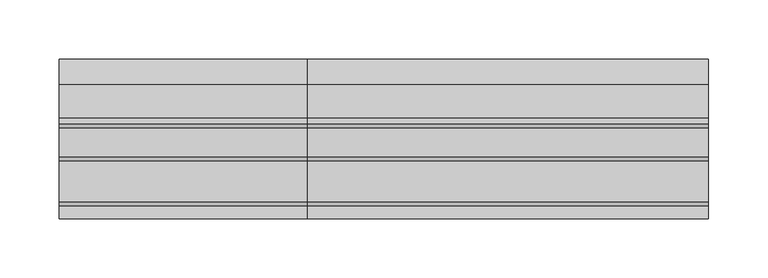
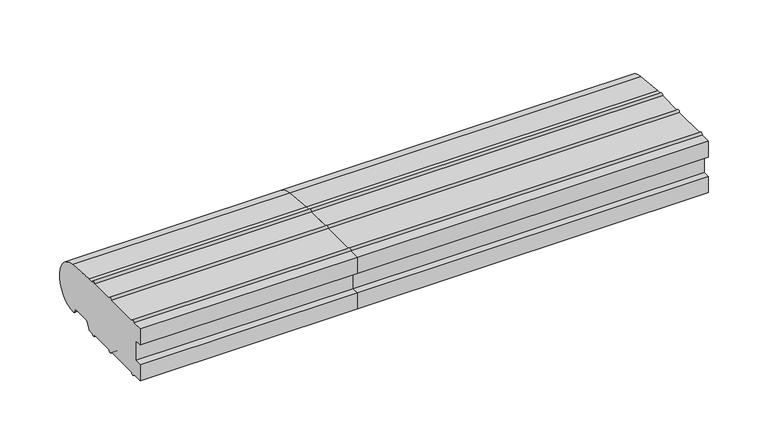
"""IFC4 building model written with IfcOpenShell, lengths in millimetres: proxy geometry."""

from ifc_helpers import new_model, si_unit, point, frame, frame_2d, origin, place, context, project, spatial, polyline, circle_curve, trimmed, segment, composite_curve, outline, extrude, source, transform, mapped, element, save


def generic_models_273d6d74(model_context):
    return source(origin(), model_context, "Body", "SweptSolid", [
        extrude(outline(composite_curve([segment(trimmed(circle_curve(frame_2d((26.5732255, 3.5071443)), 1.0), [point((26.5981483, 2.5074549))], [point((25.7072001, 3.0071443))], False, "CARTESIAN"), True, "CONTINUOUS"), segment(polyline([(25.7072001, 3.0071443), (23.6905989, 6.5)]), True, "CONTINUOUS"), segment(trimmed(circle_curve(frame_2d((21.9585481, 5.5)), 2.0), [point((23.6905989, 6.5))], [point((21.9585481, 7.5))], True, "CARTESIAN"), True, "CONTINUOUS"), segment(polyline([(21.9585481, 7.5), (5.4848276, 7.5)]), True, "CONTINUOUS"), segment(trimmed(circle_curve(frame_2d((5.4848276, 5.5)), 2.0), [point((5.4848276, 7.5))], [point((3.7527767, 6.5))], True, "CARTESIAN"), True, "CONTINUOUS"), segment(polyline([(3.7527767, 6.5), (0.2886751, 0.5)]), True, "CONTINUOUS"), segment(trimmed(circle_curve(frame_2d((-0.5773503, 1.0)), 1.0), [point((0.2886751, 0.5))], [point((-0.5773503, 0.0))], False, "CARTESIAN"), True, "CONTINUOUS"), segment(polyline([(-0.5773503, 0.0), (-5.0, 0.0)]), True, "CONTINUOUS"), segment(trimmed(circle_curve(frame_2d((-6.75, 0.0)), 1.75), [point((-5.0, 0.0))], [point((-8.5, 0.0))], False, "CARTESIAN"), True, "CONTINUOUS"), segment(polyline([(-8.5, 0.0), (-33.0, 0.0)]), True, "CONTINUOUS"), segment(trimmed(circle_curve(frame_2d((-34.75, 0.0)), 1.75), [point((-33.0, 0.0))], [point((-36.5, 0.0))], False, "CARTESIAN"), True, "CONTINUOUS"), segment(polyline([(-36.5, 0.0), (-71.0, 0.0)]), True, "CONTINUOUS"), segment(trimmed(circle_curve(frame_2d((-72.75, 0.0)), 1.75), [point((-71.0, 0.0))], [point((-74.5, 0.0))], False, "CARTESIAN"), True, "CONTINUOUS"), segment(polyline([(-74.5, 0.0), (-85.0, 0.0), (-85.0, 16.5), (-78.0, 16.5), (-78.0, 36.5), (-85.0, 36.5), (-85.0, 52.8593609), (-74.5, 52.8593609)]), True, "CONTINUOUS"), segment(trimmed(circle_curve(frame_2d((-72.75, 52.8593609)), 1.75), [point((-74.5, 52.8593609))], [point((-71.0, 52.8593609))], False, "CARTESIAN"), True, "CONTINUOUS"), segment(polyline([(-71.0, 52.8593609), (-36.5, 52.8593609)]), True, "CONTINUOUS"), segment(trimmed(circle_curve(frame_2d((-34.75, 52.8593609)), 1.75), [point((-36.5, 52.8593609))], [point((-33.0, 52.8593609))], False, "CARTESIAN"), True, "CONTINUOUS"), segment(polyline([(-33.0, 52.8593609), (-8.5, 52.8593609)]), True, "CONTINUOUS"), segment(trimmed(circle_curve(frame_2d((-6.75, 52.8593609)), 1.75), [point((-8.5, 52.8593609))], [point((-5.0, 52.8593609))], False, "CARTESIAN"), True, "CONTINUOUS"), segment(polyline([(-5.0, 52.8593609), (0.0, 52.8593609), (28.0858073, 50.4091909)]), True, "CONTINUOUS"), segment(trimmed(circle_curve(frame_2d((26.0, 26.5)), 24.0), [point((28.0858073, 50.4091909))], [point((26.5981483, 2.5074549))], False, "CARTESIAN"), True, "CONTINUOUS")], self_intersect=False)), frame((-210.0, 0.0, 0.0), z_axis=(1.0, 0.0, 0.0), x_axis=(0.0, 1.0, 0.0)), (0.0, 0.0, 1.0), 210.0),
        extrude(outline(composite_curve([segment(trimmed(circle_curve(frame_2d((26.5732255, 3.5071443)), 1.0), [point((26.5981483, 2.5074549))], [point((25.7072001, 3.0071443))], False, "CARTESIAN"), True, "CONTINUOUS"), segment(polyline([(25.7072001, 3.0071443), (23.6905989, 6.5)]), True, "CONTINUOUS"), segment(trimmed(circle_curve(frame_2d((21.9585481, 5.5)), 2.0), [point((23.6905989, 6.5))], [point((21.9585481, 7.5))], True, "CARTESIAN"), True, "CONTINUOUS"), segment(polyline([(21.9585481, 7.5), (5.4848276, 7.5)]), True, "CONTINUOUS"), segment(trimmed(circle_curve(frame_2d((5.4848276, 5.5)), 2.0), [point((5.4848276, 7.5))], [point((3.7527767, 6.5))], True, "CARTESIAN"), True, "CONTINUOUS"), segment(polyline([(3.7527767, 6.5), (0.2886751, 0.5)]), True, "CONTINUOUS"), segment(trimmed(circle_curve(frame_2d((-0.5773503, 1.0)), 1.0), [point((0.2886751, 0.5))], [point((-0.5773503, 0.0))], False, "CARTESIAN"), True, "CONTINUOUS"), segment(polyline([(-0.5773503, 0.0), (-5.0, 0.0)]), True, "CONTINUOUS"), segment(trimmed(circle_curve(frame_2d((-6.75, 0.0)), 1.75), [point((-5.0, 0.0))], [point((-8.5, 0.0))], False, "CARTESIAN"), True, "CONTINUOUS"), segment(polyline([(-8.5, 0.0), (-33.0, 0.0)]), True, "CONTINUOUS"), segment(trimmed(circle_curve(frame_2d((-34.75, 0.0)), 1.75), [point((-33.0, 0.0))], [point((-36.5, 0.0))], False, "CARTESIAN"), True, "CONTINUOUS"), segment(polyline([(-36.5, 0.0), (-71.0, 0.0)]), True, "CONTINUOUS"), segment(trimmed(circle_curve(frame_2d((-72.75, 0.0)), 1.75), [point((-71.0, 0.0))], [point((-74.5, 0.0))], False, "CARTESIAN"), True, "CONTINUOUS"), segment(polyline([(-74.5, 0.0), (-85.0, 0.0), (-85.0, 16.5), (-78.0, 16.5), (-78.0, 36.5), (-85.0, 36.5), (-85.0, 52.8558627), (-74.5, 52.8558627)]), True, "CONTINUOUS"), segment(trimmed(circle_curve(frame_2d((-72.75, 52.8558627)), 1.75), [point((-74.5, 52.8558627))], [point((-71.0, 52.8558627))], False, "CARTESIAN"), True, "CONTINUOUS"), segment(polyline([(-71.0, 52.8558627), (-36.5, 52.8558627)]), True, "CONTINUOUS"), segment(trimmed(circle_curve(frame_2d((-34.75, 52.8558627)), 1.75), [point((-36.5, 52.8558627))], [point((-33.0, 52.8558627))], False, "CARTESIAN"), True, "CONTINUOUS"), segment(polyline([(-33.0, 52.8558627), (-8.5, 52.8558627)]), True, "CONTINUOUS"), segment(trimmed(circle_curve(frame_2d((-6.75, 52.8558627)), 1.75), [point((-8.5, 52.8558627))], [point((-5.0, 52.8558627))], False, "CARTESIAN"), True, "CONTINUOUS"), segment(polyline([(-5.0, 52.8558627), (0.0400993, 52.8558627), (28.0858073, 50.4091909)]), True, "CONTINUOUS"), segment(trimmed(circle_curve(frame_2d((26.0, 26.5)), 24.0), [point((28.0858073, 50.4091909))], [point((26.5981483, 2.5074549))], False, "CARTESIAN"), True, "CONTINUOUS")], self_intersect=False), holes=[composite_curve([segment(trimmed(circle_curve(frame_2d((-13.0, 23.4166667)), 9.0833333), [point((-8.0, 31.0))], [point((-18.0, 31.0))], True, "CARTESIAN"), True, "CONTINUOUS"), segment(polyline([(-18.0, 31.0), (-18.0, 22.0)]), True, "CONTINUOUS"), segment(trimmed(circle_curve(frame_2d((-13.0, 29.5833333)), 9.0833333), [point((-18.0, 22.0))], [point((-8.0, 22.0))], True, "CARTESIAN"), True, "CONTINUOUS"), segment(polyline([(-8.0, 22.0), (-8.0, 31.0)]), True, "CONTINUOUS")], self_intersect=False), composite_curve([segment(polyline([(-29.0, 22.0), (-29.0, 31.0)]), True, "CONTINUOUS"), segment(trimmed(circle_curve(frame_2d((-34.0, 23.4166667)), 9.0833333), [point((-29.0, 31.0))], [point((-39.0, 31.0))], True, "CARTESIAN"), True, "CONTINUOUS"), segment(polyline([(-39.0, 31.0), (-39.0, 22.0)]), True, "CONTINUOUS"), segment(trimmed(circle_curve(frame_2d((-34.0, 29.5833333)), 9.0833333), [point((-39.0, 22.0))], [point((-29.0, 22.0))], True, "CARTESIAN"), True, "CONTINUOUS")], self_intersect=False), composite_curve([segment(polyline([(-50.0, 22.0), (-50.0, 31.0)]), True, "CONTINUOUS"), segment(trimmed(circle_curve(frame_2d((-55.0, 23.4166667)), 9.0833333), [point((-50.0, 31.0))], [point((-60.0, 31.0))], True, "CARTESIAN"), True, "CONTINUOUS"), segment(polyline([(-60.0, 31.0), (-60.0, 22.0)]), True, "CONTINUOUS"), segment(trimmed(circle_curve(frame_2d((-55.0, 29.5833333)), 9.0833333), [point((-60.0, 22.0))], [point((-50.0, 22.0))], True, "CARTESIAN"), True, "CONTINUOUS")], self_intersect=False)]), frame((0.0, 0.0, 0.0), z_axis=(1.0, 0.0, 0.0), x_axis=(0.0, 1.0, 0.0)), (0.0, 0.0, 1.0), 340.0),
    ])


if __name__ == "__main__":
    model = new_model("IFC4")
    model_context = context("Model", 3, world=origin())
    ifc_project = project(units=[si_unit("LENGTHUNIT", "METRE", prefix="MILLI")], contexts=[model_context])
    site = spatial("IfcSite", under=ifc_project)
    building = spatial("IfcBuilding", under=site)
    placement = place(None, origin())
    generic_models_shape = generic_models_273d6d74(model_context)
    element("IfcBuildingElementProxy", 1, Name="Generic Models", at=placement, inside=building, context=model_context, shape_type="MappedRepresentation", body=[
        mapped(generic_models_shape, transform((0.0, 0.0, 0.0), x_axis=(1.0, 0.0, 0.0), y_axis=(0.0, 1.0, 0.0), z_axis=(0.0, 0.0, 1.0))),
    ])
    save(model, "model.ifc")
